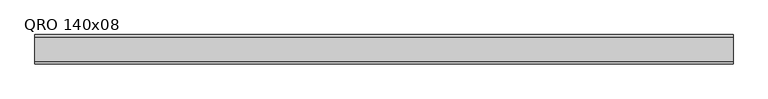
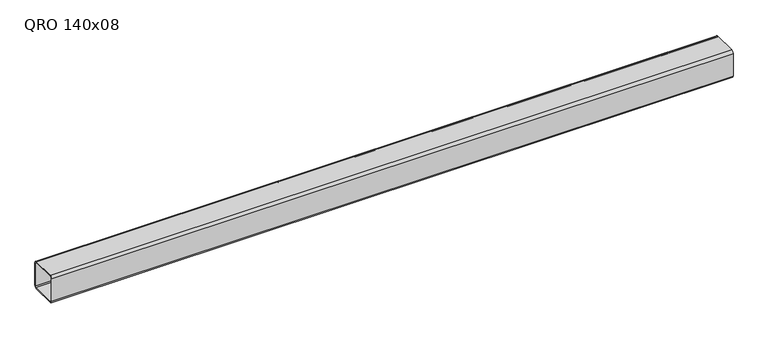
"""IFC4 building model written with IfcOpenShell, lengths in millimetres: beam geometry, QRO 140x08."""

from ifc_helpers import new_model, si_unit, point, frame, frame_2d, origin, place, context, project, spatial, polyline, circle_curve, trimmed, segment, composite_curve, outline, extrude, source, transform, mapped, element, save


def qro_140x08_0285993e(model_context):
    return source(origin(), model_context, "Body", "SweptSolid", [
        extrude(outline(composite_curve([segment(polyline([(70.0, 58.0), (70.0, -58.0)]), True, "CONTINUOUS"), segment(trimmed(circle_curve(frame_2d((58.0, -58.0)), 12.0), [point((70.0, -58.0))], [point((58.0, -70.0))], False, "CARTESIAN"), True, "CONTINUOUS"), segment(polyline([(58.0, -70.0), (-58.0, -70.0)]), True, "CONTINUOUS"), segment(trimmed(circle_curve(frame_2d((-58.0, -58.0)), 12.0), [point((-58.0, -70.0))], [point((-70.0, -58.0))], False, "CARTESIAN"), True, "CONTINUOUS"), segment(polyline([(-70.0, -58.0), (-70.0, 58.0)]), True, "CONTINUOUS"), segment(trimmed(circle_curve(frame_2d((-58.0, 58.0)), 12.0), [point((-70.0, 58.0))], [point((-58.0, 70.0))], False, "CARTESIAN"), True, "CONTINUOUS"), segment(polyline([(-58.0, 70.0), (58.0, 70.0)]), True, "CONTINUOUS"), segment(trimmed(circle_curve(frame_2d((58.0, 58.0)), 12.0), [point((58.0, 70.0))], [point((70.0, 58.0))], False, "CARTESIAN"), True, "CONTINUOUS")], self_intersect=False), holes=[composite_curve([segment(trimmed(circle_curve(frame_2d((-58.0, 58.0)), 6.0), [point((-58.0, 64.0))], [point((-64.0, 58.0))], True, "CARTESIAN"), True, "CONTINUOUS"), segment(polyline([(-64.0, 58.0), (-64.0, -58.0)]), True, "CONTINUOUS"), segment(trimmed(circle_curve(frame_2d((-58.0, -58.0)), 6.0), [point((-64.0, -58.0))], [point((-58.0, -64.0))], True, "CARTESIAN"), True, "CONTINUOUS"), segment(polyline([(-58.0, -64.0), (58.0, -64.0)]), True, "CONTINUOUS"), segment(trimmed(circle_curve(frame_2d((58.0, -58.0)), 6.0), [point((58.0, -64.0))], [point((64.0, -58.0))], True, "CARTESIAN"), True, "CONTINUOUS"), segment(polyline([(64.0, -58.0), (64.0, 58.0)]), True, "CONTINUOUS"), segment(trimmed(circle_curve(frame_2d((58.0, 58.0)), 6.0), [point((64.0, 58.0))], [point((58.0, 64.0))], True, "CARTESIAN"), True, "CONTINUOUS"), segment(polyline([(58.0, 64.0), (-58.0, 64.0)]), True, "CONTINUOUS")], self_intersect=False)]), frame((-1663.5557558, 0.0, 0.0), z_axis=(1.0, 0.0, 0.0), x_axis=(0.0, 1.0, 0.0)), (0.0, 0.0, 1.0), 3335.3835998),
    ])


if __name__ == "__main__":
    model = new_model("IFC4")
    model_context = context("Model", 3, world=origin())
    ifc_project = project(units=[si_unit("LENGTHUNIT", "METRE", prefix="MILLI")], contexts=[model_context])
    site = spatial("IfcSite", under=ifc_project)
    building = spatial("IfcBuilding", under=site)
    placement = place(None, origin())
    qro_140x08_shape = qro_140x08_0285993e(model_context)
    element("IfcBeam", 1, ObjectType="QRO 140x08", at=placement, inside=building, context=model_context, shape_type="MappedRepresentation", body=[
        mapped(qro_140x08_shape, transform((0.0, 0.0, 0.0), x_axis=(1.0, 0.0, 0.0), y_axis=(0.0, 1.0, 0.0), z_axis=(0.0, 0.0, 1.0))),
    ])
    save(model, "model.ifc")
